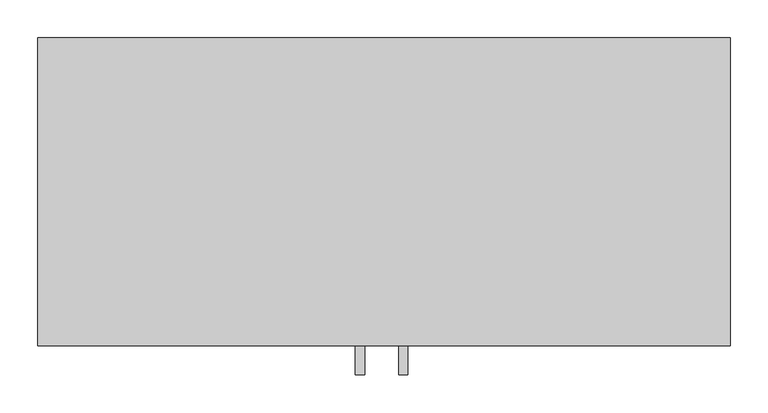
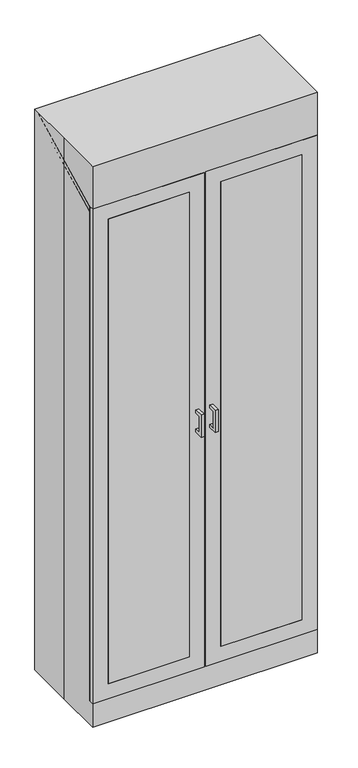
"""IFC4 building model written with IfcOpenShell, lengths in millimetres: proxy geometry."""

from ifc_helpers import new_model, si_unit, frame, origin, origin_with_axes, place, context, project, spatial, polyline, outline, extrude, faceted_brep, source, transform, mapped, element, save


def specialty_equipment_72b9e3d9(model_context):
    return source(origin(), model_context, "Body", "SolidModel", [
        extrude(outline(polyline([(-63.5, -203.2), (-393.7, -203.2), (-393.7, -196.85), (-63.5, -196.85), (-63.5, -203.2)])), frame((0.0, 0.0, 165.1), z_axis=(0.0, 0.0, 1.0), x_axis=(1.0, 0.0, 0.0)), (0.0, 0.0, 1.0), 2000.25),
        extrude(outline(polyline([(-241.2716405, 1219.2), (-203.1905468, 1219.2), (-203.1905468, 1206.5303499), (-228.6019905, 1206.5303499), (-228.6019905, 1136.6574627), (-203.1905468, 1136.6574627), (-203.1905468, 1123.9878126), (-241.2716405, 1123.9878126), (-241.2716405, 1219.2)])), frame((-37.9511719, 0.0, 0.0), z_axis=(1.0, 0.0, 0.0), x_axis=(0.0, 1.0, 0.0)), (0.0, 0.0, 1.0), 12.4023438),
        extrude(outline(polyline([(-241.2716405, 1219.2), (-203.1905468, 1219.2), (-203.1905468, 1206.5303499), (-228.6019905, 1206.5303499), (-228.6019905, 1136.6574627), (-203.1905468, 1136.6574627), (-203.1905468, 1123.9878126), (-241.2716405, 1123.9878126), (-241.2716405, 1219.2)])), frame((19.1988281, 0.0, 0.0), z_axis=(1.0, 0.0, 0.0), x_axis=(0.0, 1.0, 0.0)), (0.0, 0.0, 1.0), 12.4023437),
        extrude(outline(polyline([(2228.85, -457.2), (101.6, -457.2), (101.6, -3.175), (2228.85, -3.175), (2228.85, -457.2)]), holes=[polyline([(165.1, -393.7), (2165.35, -393.7), (2165.35, -63.5), (165.1, -63.5), (165.1, -393.7)])]), frame((0.0, -203.2, 0.0), z_axis=(0.0, 1.0, 0.0), x_axis=(0.0, 0.0, 1.0)), (0.0, 0.0, 1.0), 19.05),
        extrude(outline(polyline([(393.7, -203.2), (63.5, -203.2), (63.5, -196.85), (393.7, -196.85), (393.7, -203.2)])), frame((0.0, 0.0, 165.1), z_axis=(0.0, 0.0, 1.0), x_axis=(1.0, 0.0, 0.0)), (0.0, 0.0, 1.0), 2000.25),
        extrude(outline(polyline([(2228.85, 457.2), (2228.85, 3.175), (101.6, 3.175), (101.6, 457.2), (2228.85, 457.2)]), holes=[polyline([(2165.35, 393.7), (165.1, 393.7), (165.1, 63.5), (2165.35, 63.5), (2165.35, 393.7)])]), frame((0.0, -203.2, 0.0), z_axis=(0.0, 1.0, 0.0), x_axis=(0.0, 0.0, 1.0)), (0.0, 0.0, 1.0), 19.05),
        extrude(outline(polyline([(438.15, -184.15), (-438.15, -184.15), (-438.15, 184.15), (438.15, 184.15), (438.15, -184.15)])), frame((0.0, 0.0, 1473.2), z_axis=(0.0, 0.0, 1.0), x_axis=(1.0, 0.0, 0.0)), (0.0, 0.0, 1.0), 25.4),
        extrude(outline(polyline([(438.15, -184.15), (-438.15, -184.15), (-438.15, 184.15), (438.15, 184.15), (438.15, -184.15)])), frame((0.0, 0.0, 1854.2), z_axis=(0.0, 0.0, 1.0), x_axis=(1.0, 0.0, 0.0)), (0.0, 0.0, 1.0), 25.4),
        extrude(outline(polyline([(438.15, -184.15), (-438.15, -184.15), (-438.15, 184.15), (438.15, 184.15), (438.15, -184.15)])), frame((0.0, 0.0, 1117.6), z_axis=(0.0, 0.0, 1.0), x_axis=(1.0, 0.0, 0.0)), (0.0, 0.0, 1.0), 25.4),
        extrude(outline(polyline([(438.15, -184.15), (-438.15, -184.15), (-438.15, 184.15), (438.15, 184.15), (438.15, -184.15)])), frame((0.0, 0.0, 787.4), z_axis=(0.0, 0.0, 1.0), x_axis=(1.0, 0.0, 0.0)), (0.0, 0.0, 1.0), 25.4),
        extrude(outline(polyline([(438.15, -184.15), (-438.15, -184.15), (-438.15, 184.15), (438.15, 184.15), (438.15, -184.15)])), frame((0.0, 0.0, 419.1), z_axis=(0.0, 0.0, 1.0), x_axis=(1.0, 0.0, 0.0)), (0.0, 0.0, 1.0), 25.4),
        faceted_brep([(-457.2, 203.2, 2413.0), (-457.2, 0.0, 2413.0), (-457.2, -203.2, 2413.0), (457.2, -203.2, 2413.0), (457.2, 203.2, 2413.0), (-457.2, 203.2, 0.0), (457.2, 203.2, 0.0), (457.2, -203.2, 0.0), (-457.2, -203.2, 0.0), (-457.2, 0.0, 0.0), (393.7, -203.2, 2165.35), (393.7, -203.2, 165.1), (63.5, -203.2, 165.1), (63.5, -203.2, 2165.35), (-393.7, -203.2, 165.1), (-393.7, -203.2, 2165.35), (-63.5, -203.2, 2165.35), (-63.5, -203.2, 165.1), (393.7, -184.15, 2165.35), (393.7, -184.15, 165.1), (63.5, -184.15, 2165.35), (63.5, -184.15, 165.1), (-393.7, -184.15, 2165.35), (-393.7, -184.15, 165.1), (-63.5, -184.15, 2165.35), (-63.5, -184.15, 165.1)], [[[0, 1, 2, 3, 4]], [[5, 6, 7, 8, 9]], [[1, 0, 5, 9]], [[2, 1, 9, 8]], [[3, 2, 8, 7], [10, 11, 12, 13], [14, 15, 16, 17]], [[4, 3, 7, 6]], [[0, 4, 6, 5]], [[18, 19, 11, 10]], [[20, 13, 12, 21]], [[18, 10, 13, 20]], [[11, 19, 21, 12]], [[19, 18, 20, 21]], [[22, 15, 14, 23]], [[24, 25, 17, 16]], [[15, 22, 24, 16]], [[23, 14, 17, 25]], [[22, 23, 25, 24]]]),
        extrude(outline(polyline([(184.15, 2391.7014525), (184.15, 101.6), (-184.15, 101.6), (-184.15, 2207.5514525), (184.15, 2391.7014525)])), frame((-457.2, 0.0, 0.0), z_axis=(1.0, 0.0, 0.0), x_axis=(0.0, 1.0, 0.0)), (0.0, 0.0, 1.0), 19.05),
        extrude(outline(polyline([(184.15, 2391.7014525), (184.15, 101.6), (-184.15, 101.6), (-184.15, 2207.5514525), (184.15, 2391.7014525)])), frame((438.15, 0.0, 0.0), z_axis=(1.0, 0.0, 0.0), x_axis=(0.0, 1.0, 0.0)), (0.0, 0.0, 1.0), 19.05),
        extrude(outline(polyline([(-438.15, 184.15), (-438.15, -127.0), (-457.2, -127.0), (-457.2, 184.15), (-438.15, 184.15)])), origin_with_axes(), (0.0, 0.0, 1.0), 101.6),
        extrude(outline(polyline([(457.2, 184.15), (457.2, -127.0), (438.15, -127.0), (438.15, 184.15), (457.2, 184.15)])), origin_with_axes(), (0.0, 0.0, 1.0), 101.6),
        extrude(outline(polyline([(-184.15, 2228.85), (184.15, 2413.0), (184.15, 2391.7014525), (-184.15, 2207.5514525), (-184.15, 2228.85)])), frame((-457.2, 0.0, 0.0), z_axis=(1.0, 0.0, 0.0), x_axis=(0.0, 1.0, 0.0)), (0.0, 0.0, 1.0), 914.4),
        extrude(outline(polyline([(438.15, -184.15), (-438.15, -184.15), (-438.15, 184.15), (438.15, 184.15), (438.15, -184.15)])), frame((0.0, 0.0, 101.6), z_axis=(0.0, 0.0, 1.0), x_axis=(1.0, 0.0, 0.0)), (0.0, 0.0, 1.0), 25.4),
        extrude(outline(polyline([(457.2, -107.95), (457.2, -127.0), (-457.2, -127.0), (-457.2, -107.95), (457.2, -107.95)])), origin_with_axes(), (0.0, 0.0, 1.0), 101.6),
        extrude(outline(polyline([(457.2, 184.15), (-457.2, 184.15), (-457.2, 203.2), (457.2, 203.2), (457.2, 184.15)])), origin_with_axes(), (0.0, 0.0, 1.0), 2413.0),
    ])


if __name__ == "__main__":
    model = new_model("IFC4")
    model_context = context("Model", 3, world=origin())
    ifc_project = project(units=[si_unit("LENGTHUNIT", "METRE", prefix="MILLI")], contexts=[model_context])
    site = spatial("IfcSite", under=ifc_project)
    building = spatial("IfcBuilding", under=site)
    placement = place(None, origin())
    specialty_equipment_shape = specialty_equipment_72b9e3d9(model_context)
    element("IfcBuildingElementProxy", 1, Name="Specialty Equipment", at=placement, inside=building, context=model_context, shape_type="MappedRepresentation", body=[
        mapped(specialty_equipment_shape, transform((0.0, 0.0, 0.0), x_axis=(1.0, 0.0, 0.0), y_axis=(0.0, 1.0, 0.0), z_axis=(0.0, 0.0, 1.0))),
    ])
    save(model, "model.ifc")
